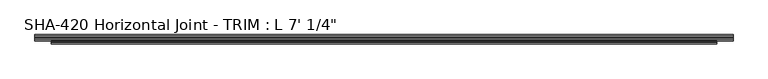
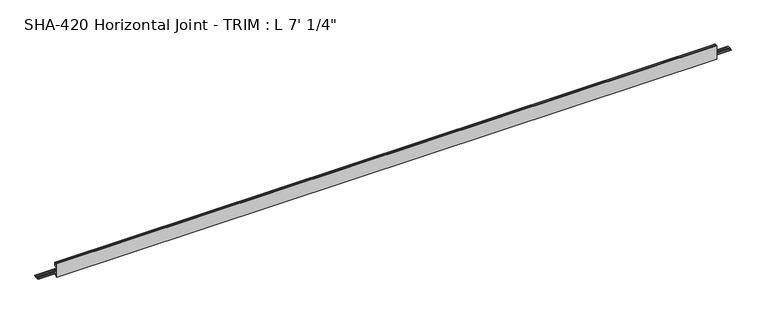
"""IFC4 building model written with IfcOpenShell, lengths in millimetres: proxy geometry."""

from ifc_helpers import new_model, si_unit, frame, origin, place, context, project, spatial, polyline, circle_curve, source, transform, mapped, element, save
from ifc_brep_helpers import plane_surface, cylinder_surface, revolved_surface, advanced_brep


def proxy_c3c6deb7(model_context):
    return source(origin(), model_context, "Body", "AdvancedBrep", [
        advanced_brep(
        [(2139.95, -10.5641724, -14.5120878), (2139.95, -10.5641724, -16.0868881), (2139.95, -6.2207723, -16.0868881), (2139.95, -3.0711723, -16.0868881), (2139.95, 1.1325276, -16.0868881), (2139.95, 4.2821276, -16.0868881), (2139.95, 8.4858276, -16.0868881), (2139.95, 8.4858276, -14.5120878), (2139.95, 4.2821276, -14.5120878), (2139.95, 1.1325276, -14.5120878), (2139.95, -3.0711723, -14.5120878), (2139.95, -6.2207723, -14.5120878), (0.0, -10.5641724, -16.0868881), (0.0, -10.5641724, -14.5120878), (0.0, -6.2207723, -14.5120878), (0.0, -3.0711723, -14.5120878), (0.0, 1.1325276, -14.5120878), (0.0, 4.2821276, -14.5120878), (0.0, 8.4858276, -14.5120878), (0.0, 8.4858276, -16.0868881), (0.0, 4.2821276, -16.0868881), (0.0, 1.1325276, -16.0868881), (0.0, -3.0711723, -16.0868881), (0.0, -6.2207723, -16.0868881), (2089.15, -12.8855416, 21.9656491), (2089.15, -11.756868, 22.4248425), (2089.15, -10.5641724, 21.8995653), (50.8, -10.5641724, 21.8995653), (50.8, -11.756868, 22.4248425), (50.8, -12.8855416, 21.9656491), (2089.15, -10.5641724, 9.8147622), (50.8, -10.5641724, 9.8147622), (2089.15, -17.2443724, 9.8147622), (50.8, -17.2443724, 9.8147622), (2089.15, -18.5143724, 8.5447622), (50.8, -18.5143724, 8.5447622), (2089.15, -18.5143724, -4.3266878), (50.8, -18.5143724, -4.3266878), (2089.15, -10.5664, -4.3266878), (50.8, -10.5664, -4.3266878), (2089.15, -10.5664, -14.5120878), (50.8, -10.5664, -14.5120878), (2089.15, -10.5641724, -16.0868881), (50.8, -10.5664, -16.0868881), (2089.15, -10.5664, -17.6616881), (50.8, -10.5664, -17.6616881), (2089.15, -12.8070246, -17.6616881), (50.8, -12.8070246, -17.6616881), (2089.15, -14.7028353, -6.590154), (50.8, -14.7028353, -6.590154), (2089.15, -16.9116736, -6.590154), (50.8, -16.9116736, -6.590154), (2089.15, -16.9116736, -22.4241878), (50.8, -16.9116736, -22.4241878), (2089.15, -20.0891724, -22.4241878), (50.8, -20.0891724, -22.4241878), (2089.15, -20.0891724, 22.4241878), (50.8, -20.0891724, 22.4241878), (2089.15, -16.9116736, 22.4241878), (50.8, -16.9116736, 22.4241878), (2089.15, -16.9116736, 11.3895622), (50.8, -16.9116736, 11.3895622), (2089.15, -14.6965154, 11.3895622), (50.8, -14.6965154, 11.3895622)],
        [
            (0, 1),
            (1, 2),
            (2, 3, circle_curve(frame((2139.95, -4.6459723, -16.0868881), z_axis=(1.0, 0.0, 0.0), x_axis=(0.0, -1.0, 0.0)), 1.5748)),
            (3, 4),
            (4, 5, circle_curve(frame((2139.95, 2.7073276, -16.0868881), z_axis=(1.0, 0.0, 0.0), x_axis=(0.0, -1.0, 0.0)), 1.5748)),
            (5, 6),
            (6, 7),
            (7, 8),
            (8, 9, circle_curve(frame((2139.95, 2.7073276, -14.5120878), z_axis=(1.0, 0.0, 0.0), x_axis=(0.0, -1.0, 0.0)), 1.5748)),
            (9, 10),
            (10, 11, circle_curve(frame((2139.95, -4.6459723, -14.5120878), z_axis=(1.0, 0.0, 0.0), x_axis=(0.0, -1.0, 0.0)), 1.5748)),
            (11, 0),
            (12, 13),
            (13, 14),
            (14, 15, circle_curve(frame((0.0, -4.6459723, -14.5120878), z_axis=(-1.0, 0.0, 0.0), x_axis=(0.0, -1.0, 0.0)), 1.5748)),
            (15, 16),
            (16, 17, circle_curve(frame((0.0, 2.7073276, -14.5120878), z_axis=(-1.0, 0.0, 0.0), x_axis=(0.0, -1.0, 0.0)), 1.5748)),
            (17, 18),
            (18, 19),
            (19, 20),
            (20, 21, circle_curve(frame((0.0, 2.7073276, -16.0868881), z_axis=(-1.0, 0.0, 0.0), x_axis=(0.0, -1.0, 0.0)), 1.5748)),
            (21, 22),
            (22, 23, circle_curve(frame((0.0, -4.6459723, -16.0868881), z_axis=(-1.0, 0.0, 0.0), x_axis=(0.0, -1.0, 0.0)), 1.5748)),
            (23, 12),
            (24, 25, circle_curve(frame((2089.15, -11.756868, 20.808135), z_axis=(-1.0, 0.0, 0.0), x_axis=(0.0, -1.0, 0.0)), 1.6167075)),
            (25, 26, circle_curve(frame((2089.15, -11.756868, 20.808135), z_axis=(-1.0, 0.0, 0.0), x_axis=(0.0, -1.0, 0.0)), 1.6167075)),
            (26, 27),
            (27, 28, circle_curve(frame((50.8, -11.756868, 20.808135), z_axis=(1.0, 0.0, 0.0), x_axis=(0.0, -1.0, 0.0)), 1.6167075)),
            (28, 29, circle_curve(frame((50.8, -11.756868, 20.808135), z_axis=(1.0, 0.0, 0.0), x_axis=(0.0, -1.0, 0.0)), 1.6167075)),
            (29, 24),
            (26, 30),
            (30, 31),
            (31, 27),
            (30, 32),
            (32, 33),
            (33, 31),
            (32, 34, circle_curve(frame((2089.15, -17.2443724, 8.5447622), z_axis=(1.0, 0.0, 0.0), x_axis=(0.0, -1.0, 0.0)), 1.27)),
            (34, 35),
            (35, 33, circle_curve(frame((50.8, -17.2443724, 8.5447622), z_axis=(-1.0, 0.0, 0.0), x_axis=(0.0, -1.0, 0.0)), 1.27)),
            (34, 36),
            (36, 37),
            (37, 35),
            (36, 38),
            (38, 39),
            (39, 37),
            (38, 40),
            (40, 41),
            (41, 39),
            (11, 14),
            (13, 41),
            (40, 0),
            (1, 42),
            (42, 43),
            (43, 12),
            (23, 2),
            (42, 44),
            (44, 45),
            (45, 43),
            (44, 46),
            (46, 47),
            (47, 45),
            (46, 48),
            (48, 49),
            (49, 47),
            (48, 50),
            (50, 51),
            (51, 49),
            (50, 52),
            (52, 53),
            (53, 51),
            (52, 54),
            (54, 55),
            (55, 53),
            (54, 56),
            (56, 57),
            (57, 55),
            (56, 58),
            (58, 59),
            (59, 57),
            (58, 60),
            (60, 61),
            (61, 59),
            (60, 62),
            (62, 63),
            (63, 61),
            (29, 63),
            (62, 24),
            (43, 41),
            (40, 42),
            (10, 15),
            (9, 16),
            (8, 17),
            (7, 18),
            (6, 19),
            (5, 20),
            (4, 21),
            (3, 22),
        ],
        [
            plane_surface(frame((2139.95, -13.3735755, 20.808135), z_axis=(1.0, 0.0, 0.0), x_axis=(0.0, 0.0, 1.0))),
            plane_surface(frame((0.0, -13.3735755, 20.808135), z_axis=(-1.0, 0.0, 0.0), x_axis=(0.0, 0.0, -1.0))),
            cylinder_surface(frame((0.0, -11.756868, 20.808135), z_axis=(1.0, 0.0, 0.0), x_axis=(0.0, -1.0, 0.0)), 1.6167075),
            plane_surface(frame((2139.95, -10.5641724, 21.8995653), z_axis=(0.0, 1.0, 0.0), x_axis=(-1.0, 0.0, 0.0))),
            plane_surface(frame((2139.95, -10.5641724, 9.8147622), z_axis=(0.0, 0.0, -1.0), x_axis=(-1.0, 0.0, 0.0))),
            revolved_surface(polyline([(50.8, -18.5143724, 8.5447622), (2089.15, -18.5143724, 8.5447622)]), (0.0, -17.2443724, 8.5447622), (-1.0, 0.0, 0.0)),
            plane_surface(frame((2139.95, -18.5143724, 8.5447622), z_axis=(0.0, 1.0, 0.0), x_axis=(-1.0, 0.0, 0.0))),
            plane_surface(frame((2139.95, -18.5143724, -4.3266878), z_axis=(0.0, 0.0, 1.0), x_axis=(-1.0, 0.0, 0.0))),
            plane_surface(frame((2139.95, -10.5664, -4.3266878), z_axis=(0.0, 1.0, 0.0), x_axis=(-1.0, 0.0, 0.0))),
            plane_surface(frame((2139.95, -10.5664, -14.5120878), z_axis=(0.0, -6.550851548008525e-11, 1.0), x_axis=(-1.0, 0.0, 0.0))),
            plane_surface(frame((2139.95, -6.2207723, -16.0868881), z_axis=(0.0, 0.0, -1.0), x_axis=(-1.0, 0.0, 0.0))),
            plane_surface(frame((2139.95, -10.5664, -16.0868881), z_axis=(0.0, 1.0, 0.0), x_axis=(-1.0, 0.0, 0.0))),
            plane_surface(frame((2139.95, -10.5664, -17.6616881), z_axis=(0.0, 1.2686311474070984e-12, -1.0), x_axis=(-1.0, 0.0, 0.0))),
            plane_surface(frame((2139.95, -12.8070246, -17.6616881), z_axis=(0.0, -0.9856543593992835, -0.1687764314031673), x_axis=(-1.0, 0.0, 0.0))),
            plane_surface(frame((2139.95, -14.7028353, -6.590154), z_axis=(0.0, 0.0, -1.0), x_axis=(-1.0, 0.0, 0.0))),
            plane_surface(frame((2139.95, -16.9116736, -6.590154), z_axis=(0.0, 1.0, 0.0), x_axis=(-1.0, 0.0, 0.0))),
            plane_surface(frame((2139.95, -16.9116736, -22.4241878), z_axis=(0.0, 0.0, -1.0), x_axis=(-1.0, 0.0, 0.0))),
            plane_surface(frame((2139.95, -20.0891724, -22.4241878), z_axis=(0.0, -1.0, 0.0), x_axis=(-1.0, 0.0, 0.0))),
            plane_surface(frame((2139.95, -20.0891724, 22.4241878), z_axis=(0.0, 0.0, 1.0), x_axis=(-1.0, 0.0, 0.0))),
            plane_surface(frame((2139.95, -16.9116736, 22.4241878), z_axis=(0.0, 1.0, 0.0), x_axis=(-1.0, 0.0, 0.0))),
            plane_surface(frame((2139.95, -16.9116736, 11.3895622), z_axis=(0.0, 0.0, 1.0), x_axis=(-1.0, 0.0, 0.0))),
            plane_surface(frame((2139.95, -14.6965154, 11.3895622), z_axis=(0.0, -0.9856543593990678, 0.16877643140442766), x_axis=(-1.0, 0.0, 0.0))),
            plane_surface(frame((2089.15, -10.5641724, 22.4248425), z_axis=(0.0, -1.0, 0.0), x_axis=(0.0, 0.0, -1.0))),
            plane_surface(frame((2089.15, -10.5641724, 22.4248425), z_axis=(1.0, 0.0, 0.0), x_axis=(0.0, -1.0, 0.0))),
            plane_surface(frame((50.8, -10.5641724, -22.4241878), z_axis=(-1.0, 0.0, 0.0), x_axis=(0.0, -1.0, 0.0))),
            cylinder_surface(frame((0.0, -4.6459723, -14.5120878), z_axis=(1.0, 0.0, 0.0), x_axis=(0.0, -1.0, 0.0)), 1.5748),
            plane_surface(frame((2139.95, -3.0711723, -14.5120878), z_axis=(0.0, -6.693990801291056e-11, 1.0), x_axis=(-1.0, 0.0, 0.0))),
            cylinder_surface(frame((0.0, 2.7073276, -14.5120878), z_axis=(1.0, 0.0, 0.0), x_axis=(0.0, -1.0, 0.0)), 1.5748),
            plane_surface(frame((2139.95, 4.2821276, -14.5120878), z_axis=(0.0, 0.0, 1.0), x_axis=(-1.0, 0.0, 0.0))),
            plane_surface(frame((2139.95, 8.4858276, -14.5120878), z_axis=(0.0, 1.0, 0.0), x_axis=(-1.0, 0.0, 0.0))),
            plane_surface(frame((2139.95, 8.4858276, -16.0868881), z_axis=(0.0, 0.0, -1.0), x_axis=(-1.0, 0.0, 0.0))),
            cylinder_surface(frame((0.0, 2.7073276, -16.0868881), z_axis=(1.0, 0.0, 0.0), x_axis=(0.0, -1.0, 0.0)), 1.5748),
            plane_surface(frame((2139.95, 1.1325276, -16.0868881), z_axis=(0.0, 0.0, -1.0), x_axis=(-1.0, 0.0, 0.0))),
            cylinder_surface(frame((0.0, -4.6459723, -16.0868881), z_axis=(1.0, 0.0, 0.0), x_axis=(0.0, -1.0, 0.0)), 1.5748),
        ],
        [
            (0, [[1, 2, 3, 4, 5, 6, 7, 8, 9, 10, 11, 12]]),
            (1, [[13, 14, 15, 16, 17, 18, 19, 20, 21, 22, 23, 24]]),
            (2, [[25, 26, 27, 28, 29, 30]]),
            (3, [[31, 32, 33, -27]]),
            (4, [[34, 35, 36, -32]]),
            (5, [[37, 38, 39, -35]]),
            (6, [[40, 41, 42, -38]]),
            (7, [[43, 44, 45, -41]]),
            (8, [[46, 47, 48, -44]]),
            (9, [[49, -14, 50, -47, 51, -12]]),
            (10, [[52, 53, 54, -24, 55, -2]]),
            (11, [[56, 57, 58, -53]]),
            (12, [[59, 60, 61, -57]]),
            (13, [[62, 63, 64, -60]]),
            (14, [[65, 66, 67, -63]]),
            (15, [[68, 69, 70, -66]]),
            (16, [[71, 72, 73, -69]]),
            (17, [[74, 75, 76, -72]]),
            (18, [[77, 78, 79, -75]]),
            (19, [[80, 81, 82, -78]]),
            (20, [[83, 84, 85, -81]]),
            (21, [[86, -84, 87, -30]]),
            (22, [[-50, -13, -54, 88]]),
            (22, [[-52, -1, -51, 89]]),
            (23, [[-46, -43, -40, -37, -34, -31, -26, -25, -87, -83, -80, -77, -74, -71, -68, -65, -62, -59, -56, -89]]),
            (24, [[-58, -61, -64, -67, -70, -73, -76, -79, -82, -85, -86, -29, -28, -33, -36, -39, -42, -45, -48, -88]]),
            (25, [[90, -15, -49, -11]]),
            (26, [[91, -16, -90, -10]]),
            (27, [[92, -17, -91, -9]]),
            (28, [[93, -18, -92, -8]]),
            (29, [[94, -19, -93, -7]]),
            (30, [[95, -20, -94, -6]]),
            (31, [[96, -21, -95, -5]]),
            (32, [[97, -22, -96, -4]]),
            (33, [[-55, -23, -97, -3]]),
        ],
    ),
    ])


if __name__ == "__main__":
    model = new_model("IFC4")
    model_context = context("Model", 3, world=origin())
    ifc_project = project(units=[si_unit("LENGTHUNIT", "METRE", prefix="MILLI")], contexts=[model_context])
    site = spatial("IfcSite", under=ifc_project)
    building = spatial("IfcBuilding", under=site)
    placement = place(None, origin())
    proxy_shape = proxy_c3c6deb7(model_context)
    element("IfcBuildingElementProxy", 1, Name="SHA-420 Horizontal Joint - TRIM : L 7' 1/4\"", ObjectType="SHA-420 Horizontal Joint - TRIM : L 7' 1/4\"", at=placement, inside=building, context=model_context, shape_type="MappedRepresentation", body=[
        mapped(proxy_shape, transform((0.0, 0.0, 0.0), x_axis=(1.0, 0.0, 0.0), y_axis=(0.0, 1.0, 0.0), z_axis=(0.0, 0.0, 1.0))),
    ])
    save(model, "model.ifc")
